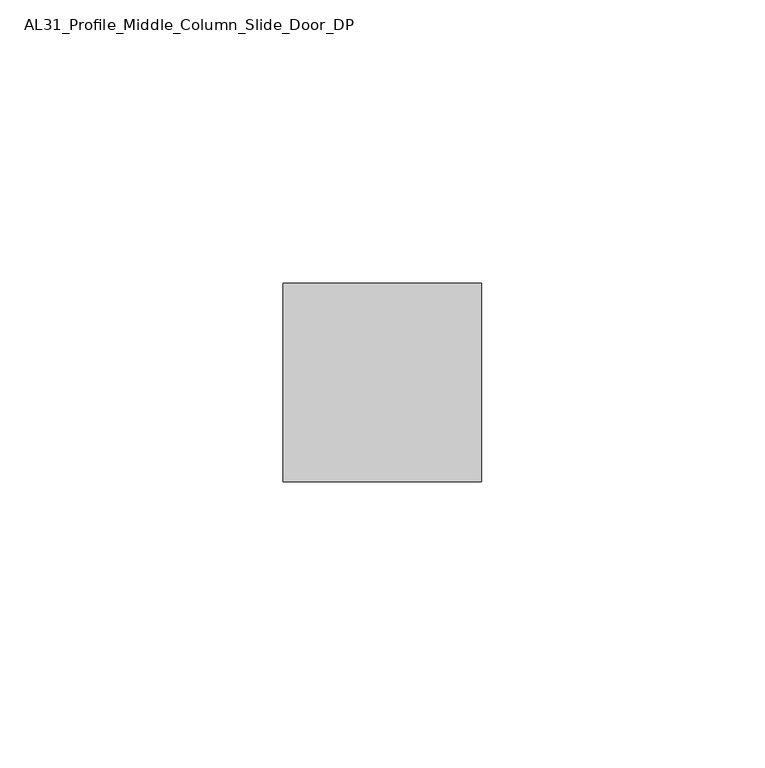
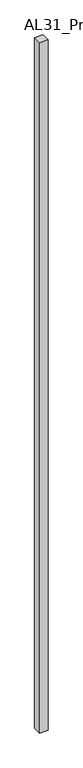
"""IFC4 building model written with IfcOpenShell, lengths in millimetres: member geometry, AL31_Profile_Middle_Column_Slide_Door_DP."""

from ifc_helpers import new_model, si_unit, frame, origin, place, context, project, spatial, polyline, outline, extrude, source, transform, mapped, element, save


def al31_profile_middle_column_slide_door_dp_7456d1a5(model_context):
    return source(origin(), model_context, "Body", "SweptSolid", [
        extrude(outline(polyline([(-17.5, -2.347522), (17.5, -2.347522), (17.5, -37.347522), (-17.5, -37.347522), (-17.5, -2.347522)])), frame((0.0, 0.0, -2983.9572926), z_axis=(0.0, 0.0, 1.0), x_axis=(1.0, 0.0, 0.0)), (0.0, 0.0, 1.0), 2983.9572926),
    ])


if __name__ == "__main__":
    model = new_model("IFC4")
    model_context = context("Model", 3, world=origin())
    ifc_project = project(units=[si_unit("LENGTHUNIT", "METRE", prefix="MILLI")], contexts=[model_context])
    site = spatial("IfcSite", under=ifc_project)
    building = spatial("IfcBuilding", under=site)
    placement = place(None, origin())
    al31_profile_middle_column_slide_door_dp_shape = al31_profile_middle_column_slide_door_dp_7456d1a5(model_context)
    element("IfcMember", 1, ObjectType="AL31_Profile_Middle_Column_Slide_Door_DP", at=placement, inside=building, context=model_context, shape_type="MappedRepresentation", body=[
        mapped(al31_profile_middle_column_slide_door_dp_shape, transform((0.0, 0.0, 0.0), x_axis=(1.0, 0.0, 0.0), y_axis=(0.0, 1.0, 0.0), z_axis=(0.0, 0.0, 1.0))),
    ])
    save(model, "model.ifc")
